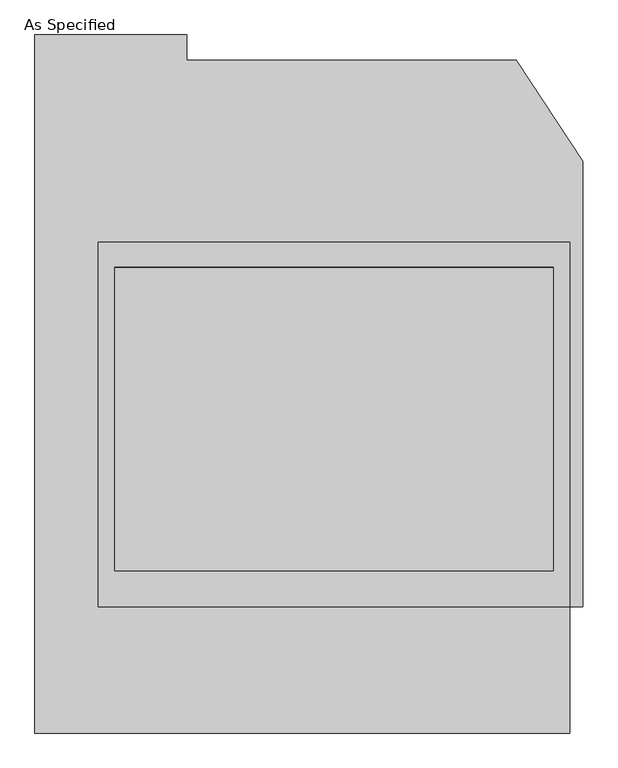
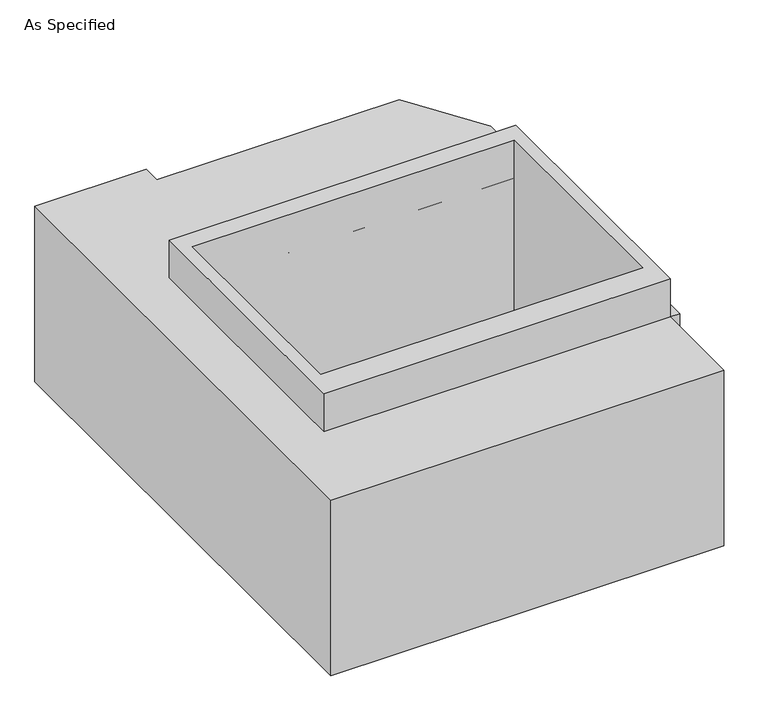
"""IFC4 building model written with IfcOpenShell, lengths in millimetres: proxy geometry, As Specified."""

from ifc_helpers import new_model, si_unit, frame, origin, place, context, project, spatial, polyline, outline, extrude, faceted_brep, source, transform, mapped, element, save


def as_specified_8f258518(model_context):
    return source(origin(), model_context, "Body", "SolidModel", [
        extrude(outline(polyline([(711.2, 465.4351562), (711.2, -633.1148438), (-711.2, -633.1148438), (-711.2, 465.4351562), (711.2, 465.4351562)]), holes=[polyline([(-660.4, 389.2748437), (-660.4, -525.1251563), (660.4, -525.1251563), (660.4, 389.2748437), (-660.4, 389.2748437)])]), frame((0.0, 0.0, -762.0), z_axis=(0.0, 0.0, 1.0), x_axis=(1.0, 0.0, 0.0)), (0.0, 0.0, 1.0), 901.7),
        faceted_brep([(711.2, -633.1148438, -787.4), (711.2, -1014.1148438, -787.4), (-901.7, -1014.1148438, -787.4), (-901.7, 1090.2751562, -787.4), (-444.5, 1090.2751562, -787.4), (-444.5, 1014.1148437, -787.4), (549.860123, 1014.1148437, -787.4), (749.3, 709.6233299, -787.4), (749.3, -633.1148438, -787.4), (711.2, -1014.1148438, -25.4), (711.2, -633.1148438, -25.4), (749.3, -633.1148438, -25.4), (749.3, 709.6233299, -25.4), (549.860123, 1014.1148437, -25.4), (-444.5, 1014.1148437, -25.4), (-444.5, 1090.2751562, -25.4), (-901.7, 1090.2751562, -25.4), (-901.7, -1014.1148438, -25.4), (660.4, 389.2748437, -25.4), (660.4, -525.1251563, -25.4), (-660.4, -525.1251563, -25.4), (-660.4, 389.2748437, -25.4), (660.4, 389.2748437, -762.0), (-660.4, 389.2748437, -762.0), (-660.4, -525.1251563, -762.0), (660.4, -525.1251563, -762.0)], [[[0, 1, 2, 3, 4, 5, 6, 7, 8]], [[9, 10, 11, 12, 13, 14, 15, 16, 17], [18, 19, 20, 21]], [[13, 6, 5, 14]], [[8, 11, 10, 0]], [[11, 8, 7, 12]], [[1, 0, 10, 9]], [[1, 9, 17, 2]], [[7, 6, 13, 12]], [[22, 23, 24, 25]], [[22, 25, 19, 18]], [[25, 24, 20, 19]], [[24, 23, 21, 20]], [[23, 22, 18, 21]], [[3, 2, 17, 16]], [[5, 4, 15, 14]], [[4, 3, 16, 15]]]),
    ])


if __name__ == "__main__":
    model = new_model("IFC4")
    model_context = context("Model", 3, world=origin())
    ifc_project = project(units=[si_unit("LENGTHUNIT", "METRE", prefix="MILLI")], contexts=[model_context])
    site = spatial("IfcSite", under=ifc_project)
    building = spatial("IfcBuilding", under=site)
    placement = place(None, origin())
    as_specified_shape = as_specified_8f258518(model_context)
    element("IfcBuildingElementProxy", 1, Name="As Specified", ObjectType="As Specified", at=placement, inside=building, context=model_context, shape_type="MappedRepresentation", body=[
        mapped(as_specified_shape, transform((0.0, 0.0, 0.0), x_axis=(1.0, 0.0, 0.0), y_axis=(0.0, 1.0, 0.0), z_axis=(0.0, 0.0, 1.0))),
    ])
    save(model, "model.ifc")
